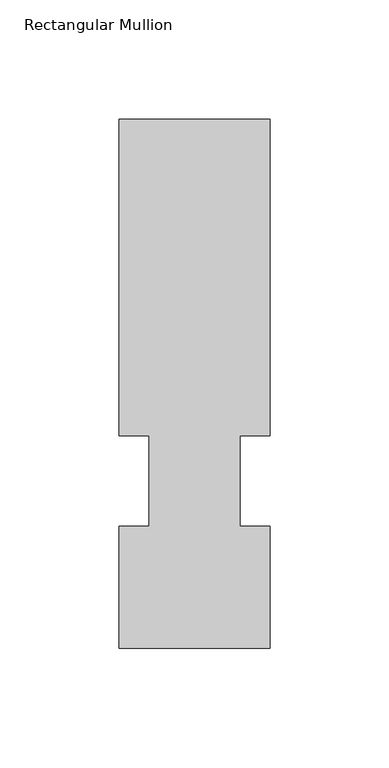
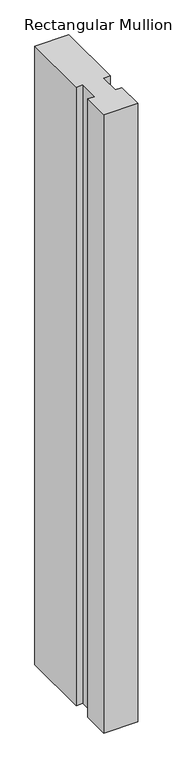
"""IFC4 building model written with IfcOpenShell, lengths in millimetres: member geometry, Rectangular Mullion."""

from ifc_helpers import new_model, si_unit, frame, origin, place, context, project, spatial, polyline, outline, extrude, source, transform, mapped, element, save


def rectangular_mullion_dccb03b8(model_context):
    return source(origin(), model_context, "Body", "SweptSolid", [
        extrude(outline(polyline([(31.7500002, 222.5381312), (31.7500002, 89.5945313), (19.0499998, 89.5945313), (19.0499998, 51.4945313), (31.7499998, 51.4945313), (31.7499998, 0.2119313), (-31.7500002, 0.2119313), (-31.7500002, 51.4945313), (-19.0500002, 51.4945313), (-19.0500002, 89.5945313), (-31.7499998, 89.5945313), (-31.7499998, 222.5381312), (31.7500002, 222.5381312)])), frame((0.0, 0.0, -1219.2), z_axis=(0.0, 0.0, 1.0), x_axis=(1.0, 0.0, 0.0)), (0.0, 0.0, 1.0), 1219.2),
    ])


if __name__ == "__main__":
    model = new_model("IFC4")
    model_context = context("Model", 3, world=origin())
    ifc_project = project(units=[si_unit("LENGTHUNIT", "METRE", prefix="MILLI")], contexts=[model_context])
    site = spatial("IfcSite", under=ifc_project)
    building = spatial("IfcBuilding", under=site)
    placement = place(None, origin())
    rectangular_mullion_shape = rectangular_mullion_dccb03b8(model_context)
    element("IfcMember", 1, ObjectType="Rectangular Mullion", at=placement, inside=building, context=model_context, shape_type="MappedRepresentation", body=[
        mapped(rectangular_mullion_shape, transform((0.0, 0.0, 0.0), x_axis=(1.0, 0.0, 0.0), y_axis=(0.0, 1.0, 0.0), z_axis=(0.0, 0.0, 1.0))),
    ])
    save(model, "model.ifc")
